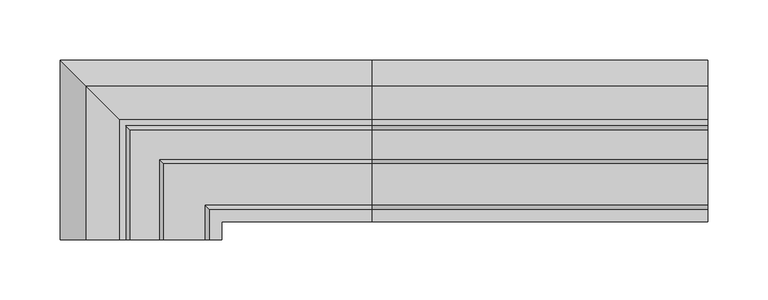
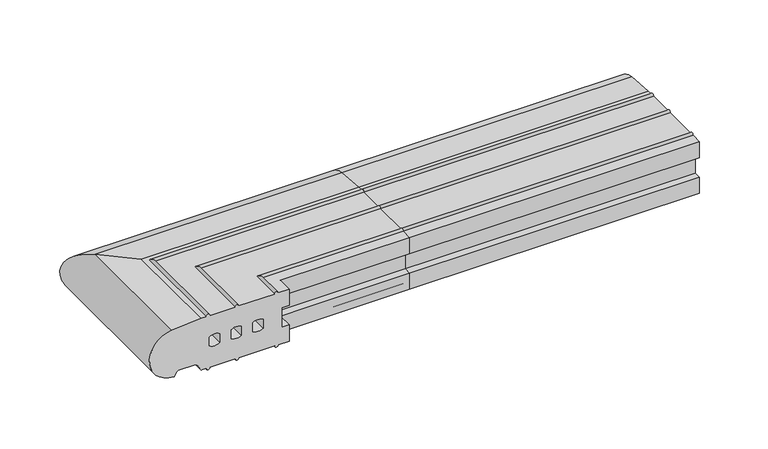
"""IFC4 building model written with IfcOpenShell, lengths in millimetres: proxy geometry."""

from ifc_helpers import new_model, si_unit, point, frame, frame_2d, origin, place, context, project, spatial, polyline, circle_curve, ellipse_curve, trimmed, segment, composite_curve, outline, extrude, source, transform, mapped, element, save
from ifc_brep_helpers import plane_surface, cylinder_surface, revolved_surface, advanced_brep


def generic_models_7deca3a6(model_context):
    return source(origin(), model_context, "Body", "SolidModel", [
        advanced_brep(
        [(0.0, 26.5981483, 2.5074549), (0.0, 28.0858073, 50.4091909), (0.0, 0.0400993, 52.8558627), (0.0, -5.0, 52.8558627), (0.0, -8.5, 52.8558627), (0.0, -33.0, 52.8558627), (0.0, -36.5, 52.8558627), (0.0, -71.0, 52.8558627), (0.0, -74.5, 52.8558627), (0.0, -85.0, 52.8558627), (0.0, -85.0, 36.5), (0.0, -78.0, 36.5), (0.0, -78.0, 16.5), (0.0, -85.0, 16.5), (0.0, -85.0, 0.0), (0.0, -74.5, 0.0), (0.0, -71.0, 0.0), (0.0, -36.5, 0.0), (0.0, -33.0, 0.0), (0.0, -8.5, 0.0), (0.0, -5.0, 0.0), (0.0, -0.5773503, 0.0), (0.0, 0.2886751, 0.5), (0.0, 3.7527767, 6.5), (0.0, 5.4848276, 7.5), (0.0, 21.9585481, 7.5), (0.0, 23.6905989, 6.5), (0.0, 25.7072001, 3.0071443), (0.0, -8.0, 31.0), (0.0, -8.0, 22.0), (0.0, -18.0, 22.0), (0.0, -18.0, 31.0), (0.0, -29.0, 22.0), (0.0, -39.0, 22.0), (0.0, -39.0, 31.0), (0.0, -29.0, 31.0), (0.0, -50.0, 22.0), (0.0, -60.0, 22.0), (0.0, -60.0, 31.0), (0.0, -50.0, 31.0), (-236.5981483, -100.0, 2.5074549), (-235.7072001, -100.0, 3.0071443), (-233.6905989, -100.0, 6.5), (-231.9585481, -100.0, 7.5), (-215.4848276, -100.0, 7.5), (-213.7527767, -100.0, 6.5), (-210.2886751, -100.0, 0.5), (-209.4226497, -100.0, 0.0), (-205.0, -100.0, 0.0), (-201.5, -100.0, 0.0), (-177.0, -100.0, 0.0), (-173.5, -100.0, 0.0), (-139.0, -100.0, 0.0), (-135.5, -100.0, 0.0), (-125.0, -100.0, 0.0), (-125.0, -100.0, 16.5), (-132.0, -100.0, 16.5), (-132.0, -100.0, 36.5), (-125.0, -100.0, 36.5), (-125.0, -100.0, 52.8558627), (-135.5, -100.0, 52.8558627), (-139.0, -100.0, 52.8558627), (-173.5, -100.0, 52.8558627), (-177.0, -100.0, 52.8558627), (-201.5, -100.0, 52.8558627), (-205.0, -100.0, 52.8558627), (-210.0400993, -100.0, 52.8558627), (-238.0858073, -100.0, 50.4091909), (-202.0, -100.0, 31.0), (-192.0, -100.0, 31.0), (-192.0, -100.0, 22.0), (-202.0, -100.0, 22.0), (-181.0, -100.0, 22.0), (-181.0, -100.0, 31.0), (-171.0, -100.0, 31.0), (-171.0, -100.0, 22.0), (-160.0, -100.0, 22.0), (-160.0, -100.0, 31.0), (-150.0, -100.0, 31.0), (-150.0, -100.0, 22.0), (-235.7072001, 25.7072001, 3.0071443), (-236.5981483, 26.5981483, 2.5074549), (-233.6905989, 23.6905989, 6.5), (-231.9585481, 21.9585481, 7.5), (-215.4848276, 5.4848276, 7.5), (-213.7527767, 3.7527767, 6.5), (-210.2886751, 0.2886751, 0.5), (-209.4226497, -0.5773503, 0.0), (-205.0, -5.0, 0.0), (-201.5, -8.5, 0.0), (-177.0, -33.0, 0.0), (-173.5, -36.5, 0.0), (-139.0, -71.0, 0.0), (-135.5, -74.5, 0.0), (-125.0, -85.0, 0.0), (-125.0, -85.0, 16.5), (-132.0, -78.0, 16.5), (-132.0, -78.0, 36.5), (-125.0, -85.0, 36.5), (-125.0, -85.0, 52.8558627), (-135.5, -74.5, 52.8558627), (-139.0, -71.0, 52.8558627), (-173.5, -36.5, 52.8558627), (-177.0, -33.0, 52.8558627), (-201.5, -8.5, 52.8558627), (-205.0, -5.0, 52.8558627), (-210.0400993, 0.0400993, 52.8558627), (-238.0858073, 28.0858073, 50.4091909), (-192.0, -18.0, 31.0), (-202.0, -8.0, 31.0), (-192.0, -18.0, 22.0), (-202.0, -8.0, 22.0), (-181.0, -29.0, 31.0), (-181.0, -29.0, 22.0), (-171.0, -39.0, 31.0), (-171.0, -39.0, 22.0), (-160.0, -50.0, 31.0), (-160.0, -50.0, 22.0), (-150.0, -60.0, 31.0), (-150.0, -60.0, 22.0)],
        [
            (0, 1, circle_curve(frame((0.0, 26.0, 26.5), z_axis=(1.0, 0.0, 0.0), x_axis=(0.0, 1.0, 0.0)), 24.0)),
            (1, 2),
            (2, 3),
            (3, 4, circle_curve(frame((0.0, -6.75, 52.8558627), z_axis=(1.0, 0.0, 0.0), x_axis=(0.0, 1.0, 0.0)), 1.75)),
            (4, 5),
            (5, 6, circle_curve(frame((0.0, -34.75, 52.8558627), z_axis=(1.0, 0.0, 0.0), x_axis=(0.0, 1.0, 0.0)), 1.75)),
            (6, 7),
            (7, 8, circle_curve(frame((0.0, -72.75, 52.8558627), z_axis=(1.0, 0.0, 0.0), x_axis=(0.0, 1.0, 0.0)), 1.75)),
            (8, 9),
            (9, 10),
            (10, 11),
            (11, 12),
            (12, 13),
            (13, 14),
            (14, 15),
            (15, 16, circle_curve(frame((0.0, -72.75, 0.0), z_axis=(1.0, 0.0, 0.0), x_axis=(0.0, 1.0, 0.0)), 1.75)),
            (16, 17),
            (17, 18, circle_curve(frame((0.0, -34.75, 0.0), z_axis=(1.0, 0.0, 0.0), x_axis=(0.0, 1.0, 0.0)), 1.75)),
            (18, 19),
            (19, 20, circle_curve(frame((0.0, -6.75, 0.0), z_axis=(1.0, 0.0, 0.0), x_axis=(0.0, 1.0, 0.0)), 1.75)),
            (20, 21),
            (21, 22, circle_curve(frame((0.0, -0.5773503, 1.0), z_axis=(1.0, 0.0, 0.0), x_axis=(0.0, 1.0, 0.0)), 1.0)),
            (22, 23),
            (23, 24, circle_curve(frame((0.0, 5.4848276, 5.5), z_axis=(-1.0, 0.0, 0.0), x_axis=(0.0, 1.0, 0.0)), 2.0)),
            (24, 25),
            (25, 26, circle_curve(frame((0.0, 21.9585481, 5.5), z_axis=(-1.0, 0.0, 0.0), x_axis=(0.0, 1.0, 0.0)), 2.0)),
            (26, 27),
            (27, 0, circle_curve(frame((0.0, 26.5732255, 3.5071443), z_axis=(1.0, 0.0, 0.0), x_axis=(0.0, 1.0, 0.0)), 1.0)),
            (28, 29),
            (29, 30, circle_curve(frame((0.0, -13.0, 29.5833333), z_axis=(-1.0, 0.0, 0.0), x_axis=(0.0, 1.0, 0.0)), 9.0833333)),
            (30, 31),
            (31, 28, circle_curve(frame((0.0, -13.0, 23.4166667), z_axis=(-1.0, 0.0, 0.0), x_axis=(0.0, 1.0, 0.0)), 9.0833333)),
            (32, 33, circle_curve(frame((0.0, -34.0, 29.5833333), z_axis=(-1.0, 0.0, 0.0), x_axis=(0.0, 1.0, 0.0)), 9.0833333)),
            (33, 34),
            (34, 35, circle_curve(frame((0.0, -34.0, 23.4166667), z_axis=(-1.0, 0.0, 0.0), x_axis=(0.0, 1.0, 0.0)), 9.0833333)),
            (35, 32),
            (36, 37, circle_curve(frame((0.0, -55.0, 29.5833333), z_axis=(-1.0, 0.0, 0.0), x_axis=(0.0, 1.0, 0.0)), 9.0833333)),
            (37, 38),
            (38, 39, circle_curve(frame((0.0, -55.0, 23.4166667), z_axis=(-1.0, 0.0, 0.0), x_axis=(0.0, 1.0, 0.0)), 9.0833333)),
            (39, 36),
            (40, 41, circle_curve(frame((-236.5732255, -100.0, 3.5071443), z_axis=(0.0, -1.0, 0.0), x_axis=(-1.0, 0.0, 0.0)), 1.0)),
            (41, 42),
            (42, 43, circle_curve(frame((-231.9585481, -100.0, 5.5), z_axis=(0.0, 1.0, 0.0), x_axis=(-1.0, 0.0, 0.0)), 2.0)),
            (43, 44),
            (44, 45, circle_curve(frame((-215.4848276, -100.0, 5.5), z_axis=(0.0, 1.0, 0.0), x_axis=(-1.0, 0.0, 0.0)), 2.0)),
            (45, 46),
            (46, 47, circle_curve(frame((-209.4226497, -100.0, 1.0), z_axis=(0.0, -1.0, 0.0), x_axis=(-1.0, 0.0, 0.0)), 1.0)),
            (47, 48),
            (48, 49, circle_curve(frame((-203.25, -100.0, 0.0), z_axis=(0.0, -1.0, 0.0), x_axis=(-1.0, 0.0, 0.0)), 1.75)),
            (49, 50),
            (50, 51, circle_curve(frame((-175.25, -100.0, 0.0), z_axis=(0.0, -1.0, 0.0), x_axis=(-1.0, 0.0, 0.0)), 1.75)),
            (51, 52),
            (52, 53, circle_curve(frame((-137.25, -100.0, 0.0), z_axis=(0.0, -1.0, 0.0), x_axis=(-1.0, 0.0, 0.0)), 1.75)),
            (53, 54),
            (54, 55),
            (55, 56),
            (56, 57),
            (57, 58),
            (58, 59),
            (59, 60),
            (60, 61, circle_curve(frame((-137.25, -100.0, 52.8558627), z_axis=(0.0, -1.0, 0.0), x_axis=(-1.0, 0.0, 0.0)), 1.75)),
            (61, 62),
            (62, 63, circle_curve(frame((-175.25, -100.0, 52.8558627), z_axis=(0.0, -1.0, 0.0), x_axis=(-1.0, 0.0, 0.0)), 1.75)),
            (63, 64),
            (64, 65, circle_curve(frame((-203.25, -100.0, 52.8558627), z_axis=(0.0, -1.0, 0.0), x_axis=(-1.0, 0.0, 0.0)), 1.75)),
            (65, 66),
            (66, 67),
            (67, 40, circle_curve(frame((-236.0, -100.0, 26.5), z_axis=(0.0, -1.0, 0.0), x_axis=(-1.0, 0.0, 0.0)), 24.0)),
            (68, 69, circle_curve(frame((-197.0, -100.0, 23.4166667), z_axis=(0.0, 1.0, 0.0), x_axis=(-1.0, 0.0, 0.0)), 9.0833333)),
            (69, 70),
            (70, 71, circle_curve(frame((-197.0, -100.0, 29.5833333), z_axis=(0.0, 1.0, 0.0), x_axis=(-1.0, 0.0, 0.0)), 9.0833333)),
            (71, 68),
            (72, 73),
            (73, 74, circle_curve(frame((-176.0, -100.0, 23.4166667), z_axis=(0.0, 1.0, 0.0), x_axis=(-1.0, 0.0, 0.0)), 9.0833333)),
            (74, 75),
            (75, 72, circle_curve(frame((-176.0, -100.0, 29.5833333), z_axis=(0.0, 1.0, 0.0), x_axis=(-1.0, 0.0, 0.0)), 9.0833333)),
            (76, 77),
            (77, 78, circle_curve(frame((-155.0, -100.0, 23.4166667), z_axis=(0.0, 1.0, 0.0), x_axis=(-1.0, 0.0, 0.0)), 9.0833333)),
            (78, 79),
            (79, 76, circle_curve(frame((-155.0, -100.0, 29.5833333), z_axis=(0.0, 1.0, 0.0), x_axis=(-1.0, 0.0, 0.0)), 9.0833333)),
            (27, 80),
            (80, 81, ellipse_curve(frame((-236.5732255, 26.5732255, 3.5071443), z_axis=(0.70710678118655, 0.7071067811865449, 0.0), x_axis=(0.7071067811865451, -0.7071067811865499, 0.0)), 1.4142136, 1.0)),
            (81, 0),
            (26, 82),
            (82, 80),
            (25, 83),
            (83, 82, ellipse_curve(frame((-231.9585481, 21.9585481, 5.5), z_axis=(-0.70710678118655, -0.7071067811865449, 0.0), x_axis=(-0.7071067811865451, 0.7071067811865499, 0.0)), 2.8284271, 2.0)),
            (24, 84),
            (84, 44),
            (43, 83),
            (23, 85),
            (85, 84, ellipse_curve(frame((-215.4848276, 5.4848276, 5.5), z_axis=(-0.70710678118655, -0.7071067811865449, 0.0), x_axis=(-0.7071067811865451, 0.7071067811865499, 0.0)), 2.8284271, 2.0)),
            (22, 86),
            (86, 85),
            (21, 87),
            (87, 86, ellipse_curve(frame((-209.4226497, -0.5773503, 1.0), z_axis=(0.70710678118655, 0.7071067811865449, 0.0), x_axis=(0.7071067811865451, -0.7071067811865499, 0.0)), 1.4142136, 1.0)),
            (20, 88),
            (88, 48),
            (47, 87),
            (19, 89),
            (89, 88, ellipse_curve(frame((-203.25, -6.75, 0.0), z_axis=(0.70710678118655, 0.7071067811865449, 0.0), x_axis=(0.7071067811865451, -0.7071067811865499, 0.0)), 2.4748737, 1.75)),
            (18, 90),
            (90, 50),
            (49, 89),
            (17, 91),
            (91, 90, ellipse_curve(frame((-175.25, -34.75, 0.0), z_axis=(0.70710678118655, 0.7071067811865449, 0.0), x_axis=(0.7071067811865451, -0.7071067811865499, 0.0)), 2.4748737, 1.75)),
            (16, 92),
            (92, 52),
            (51, 91),
            (15, 93),
            (93, 92, ellipse_curve(frame((-137.25, -72.75, 0.0), z_axis=(0.70710678118655, 0.7071067811865449, 0.0), x_axis=(0.7071067811865451, -0.7071067811865499, 0.0)), 2.4748737, 1.75)),
            (14, 94),
            (94, 54),
            (53, 93),
            (13, 95),
            (95, 94),
            (12, 96),
            (96, 56),
            (55, 95),
            (11, 97),
            (97, 96),
            (10, 98),
            (98, 58),
            (57, 97),
            (9, 99),
            (99, 98),
            (8, 100),
            (100, 60),
            (59, 99),
            (7, 101),
            (101, 100, ellipse_curve(frame((-137.25, -72.75, 52.8558627), z_axis=(0.70710678118655, 0.7071067811865449, 0.0), x_axis=(0.7071067811865451, -0.7071067811865499, 0.0)), 2.4748737, 1.75)),
            (6, 102),
            (102, 62),
            (61, 101),
            (5, 103),
            (103, 102, ellipse_curve(frame((-175.25, -34.75, 52.8558627), z_axis=(0.70710678118655, 0.7071067811865449, 0.0), x_axis=(0.7071067811865451, -0.7071067811865499, 0.0)), 2.4748737, 1.75)),
            (4, 104),
            (104, 64),
            (63, 103),
            (3, 105),
            (105, 104, ellipse_curve(frame((-203.25, -6.75, 52.8558627), z_axis=(0.70710678118655, 0.7071067811865449, 0.0), x_axis=(0.7071067811865451, -0.7071067811865499, 0.0)), 2.4748737, 1.75)),
            (2, 106),
            (106, 66),
            (65, 105),
            (1, 107),
            (107, 106),
            (81, 107, ellipse_curve(frame((-236.0, 26.0, 26.5), z_axis=(0.70710678118655, 0.7071067811865449, 0.0), x_axis=(0.7071067811865451, -0.7071067811865499, 0.0)), 33.9411255, 24.0)),
            (31, 108),
            (108, 109, ellipse_curve(frame((-197.0, -13.0, 23.4166667), z_axis=(-0.70710678118655, -0.7071067811865449, 0.0), x_axis=(-0.7071067811865451, 0.7071067811865499, 0.0)), 12.8457732, 9.0833333)),
            (109, 28),
            (30, 110),
            (110, 108),
            (29, 111),
            (111, 110, ellipse_curve(frame((-197.0, -13.0, 29.5833333), z_axis=(-0.70710678118655, -0.7071067811865449, 0.0), x_axis=(-0.7071067811865451, 0.7071067811865499, 0.0)), 12.8457732, 9.0833333)),
            (109, 111),
            (35, 112),
            (112, 113),
            (113, 32),
            (34, 114),
            (114, 112, ellipse_curve(frame((-176.0, -34.0, 23.4166667), z_axis=(-0.70710678118655, -0.7071067811865449, 0.0), x_axis=(-0.7071067811865451, 0.7071067811865499, 0.0)), 12.8457732, 9.0833333)),
            (33, 115),
            (115, 114),
            (113, 115, ellipse_curve(frame((-176.0, -34.0, 29.5833333), z_axis=(-0.70710678118655, -0.7071067811865449, 0.0), x_axis=(-0.7071067811865451, 0.7071067811865499, 0.0)), 12.8457732, 9.0833333)),
            (39, 116),
            (116, 117),
            (117, 36),
            (38, 118),
            (118, 116, ellipse_curve(frame((-155.0, -55.0, 23.4166667), z_axis=(-0.70710678118655, -0.7071067811865449, 0.0), x_axis=(-0.7071067811865451, 0.7071067811865499, 0.0)), 12.8457732, 9.0833333)),
            (37, 119),
            (119, 118),
            (117, 119, ellipse_curve(frame((-155.0, -55.0, 29.5833333), z_axis=(-0.70710678118655, -0.7071067811865449, 0.0), x_axis=(-0.7071067811865451, 0.7071067811865499, 0.0)), 12.8457732, 9.0833333)),
            (80, 41),
            (40, 81),
            (82, 42),
            (85, 45),
            (86, 46),
            (107, 67),
            (108, 69),
            (68, 109),
            (110, 70),
            (111, 71),
            (112, 73),
            (72, 113),
            (114, 74),
            (115, 75),
            (116, 77),
            (76, 117),
            (118, 78),
            (119, 79),
        ],
        [
            plane_surface(frame((0.0, 0.0, 0.0), z_axis=(1.0, 0.0, 0.0), x_axis=(0.0, 0.0, 1.0))),
            plane_surface(frame((-210.0, -100.0, 0.0), z_axis=(0.0, -1.0, 0.0), x_axis=(0.0, 0.0, 1.0))),
            cylinder_surface(frame((0.0, 26.5732255, 3.5071443), z_axis=(1.0, 0.0, 0.0), x_axis=(0.0, 1.0, 0.0)), 1.0),
            plane_surface(frame((0.0, 23.6905989, 6.5), z_axis=(0.0, -0.8660254037844395, -0.4999999999999987), x_axis=(-1.0, 0.0, 0.0))),
            revolved_surface(polyline([(-233.9585480825018, 23.9585481, 5.5), (0.0, 23.9585481, 5.5)]), (0.0, 21.9585481, 5.5), (-1.0, 0.0, 0.0)),
            plane_surface(frame((0.0, 5.4848276, 7.5), z_axis=(0.0, 0.0, -1.0), x_axis=(-1.0, 0.0, 0.0))),
            revolved_surface(polyline([(-217.4848275825018, 7.4848276, 5.5), (0.0, 7.4848276, 5.5)]), (0.0, 5.4848276, 5.5), (-1.0, 0.0, 0.0)),
            plane_surface(frame((0.0, 0.2886751, 0.5), z_axis=(0.0, 0.8660254037844367, -0.5000000000000033), x_axis=(-1.0, 0.0, 0.0))),
            cylinder_surface(frame((0.0, -0.5773503, 1.0), z_axis=(1.0, 0.0, 0.0), x_axis=(0.0, 1.0, 0.0)), 1.0),
            plane_surface(frame((0.0, -5.0, 0.0), z_axis=(0.0, 0.0, -1.0), x_axis=(-1.0, 0.0, 0.0))),
            cylinder_surface(frame((0.0, -6.75, 0.0), z_axis=(1.0, 0.0, 0.0), x_axis=(0.0, 1.0, 0.0)), 1.75),
            plane_surface(frame((0.0, -33.0, 0.0), z_axis=(0.0, 0.0, -1.0), x_axis=(-1.0, 0.0, 0.0))),
            cylinder_surface(frame((0.0, -34.75, 0.0), z_axis=(1.0, 0.0, 0.0), x_axis=(0.0, 1.0, 0.0)), 1.75),
            plane_surface(frame((0.0, -71.0, 0.0), z_axis=(0.0, 0.0, -1.0), x_axis=(-1.0, 0.0, 0.0))),
            cylinder_surface(frame((0.0, -72.75, 0.0), z_axis=(1.0, 0.0, 0.0), x_axis=(0.0, 1.0, 0.0)), 1.75),
            plane_surface(frame((0.0, -85.0, 0.0), z_axis=(0.0, 0.0, -1.0), x_axis=(-1.0, 0.0, 0.0))),
            plane_surface(frame((0.0, -85.0, 16.5), z_axis=(0.0, -1.0, 0.0), x_axis=(-1.0, 0.0, 0.0))),
            plane_surface(frame((0.0, -78.0, 16.5), z_axis=(0.0, 0.0, 1.0), x_axis=(-1.0, 0.0, 0.0))),
            plane_surface(frame((0.0, -78.0, 36.5), z_axis=(0.0, -1.0, 0.0), x_axis=(-1.0, 0.0, 0.0))),
            plane_surface(frame((0.0, -85.0, 36.5), z_axis=(0.0, 0.0, -1.0), x_axis=(-1.0, 0.0, 0.0))),
            plane_surface(frame((0.0, -85.0, 52.8558627), z_axis=(0.0, -1.0, 0.0), x_axis=(-1.0, 0.0, 0.0))),
            plane_surface(frame((0.0, -74.5, 52.8558627), z_axis=(0.0, 0.0, 1.0), x_axis=(-1.0, 0.0, 0.0))),
            cylinder_surface(frame((0.0, -72.75, 52.8558627), z_axis=(1.0, 0.0, 0.0), x_axis=(0.0, 1.0, 0.0)), 1.75),
            plane_surface(frame((0.0, -36.5, 52.8558627), z_axis=(0.0, 0.0, 1.0), x_axis=(-1.0, 0.0, 0.0))),
            cylinder_surface(frame((0.0, -34.75, 52.8558627), z_axis=(1.0, 0.0, 0.0), x_axis=(0.0, 1.0, 0.0)), 1.75),
            plane_surface(frame((0.0, -8.5, 52.8558627), z_axis=(0.0, 0.0, 1.0), x_axis=(-1.0, 0.0, 0.0))),
            cylinder_surface(frame((0.0, -6.75, 52.8558627), z_axis=(1.0, 0.0, 0.0), x_axis=(0.0, 1.0, 0.0)), 1.75),
            plane_surface(frame((0.0, 0.0400993, 52.8558627), z_axis=(0.0, 0.0, 1.0), x_axis=(-1.0, 0.0, 0.0))),
            plane_surface(frame((0.0, 28.0858073, 50.4091909), z_axis=(0.0, 0.0869086394462769, 0.9962162859487879), x_axis=(-1.0, 0.0, 0.0))),
            cylinder_surface(frame((0.0, 26.0, 26.5), z_axis=(1.0, 0.0, 0.0), x_axis=(0.0, 1.0, 0.0)), 24.0),
            revolved_surface(polyline([(-206.08333333930437, -3.9166667000000004, 23.4166667), (0.0, -3.9166667000000004, 23.4166667)]), (0.0, -13.0, 23.4166667), (-1.0, 0.0, 0.0)),
            plane_surface(frame((0.0, -18.0, 22.0), z_axis=(0.0, 1.0, 0.0), x_axis=(-1.0, 0.0, 0.0))),
            revolved_surface(polyline([(-206.08333333930437, -3.9166667000000004, 29.5833333), (0.0, -3.9166667000000004, 29.5833333)]), (0.0, -13.0, 29.5833333), (-1.0, 0.0, 0.0)),
            plane_surface(frame((0.0, -8.0, 31.0), z_axis=(0.0, -1.0, 0.0), x_axis=(-1.0, 0.0, 0.0))),
            plane_surface(frame((0.0, -29.0, 31.0), z_axis=(0.0, -1.0, 0.0), x_axis=(-1.0, 0.0, 0.0))),
            revolved_surface(polyline([(-185.08333333930437, -24.9166667, 23.4166667), (0.0, -24.9166667, 23.4166667)]), (0.0, -34.0, 23.4166667), (-1.0, 0.0, 0.0)),
            plane_surface(frame((0.0, -39.0, 22.0), z_axis=(0.0, 1.0, 0.0), x_axis=(-1.0, 0.0, 0.0))),
            revolved_surface(polyline([(-185.08333333930437, -24.9166667, 29.5833333), (0.0, -24.9166667, 29.5833333)]), (0.0, -34.0, 29.5833333), (-1.0, 0.0, 0.0)),
            plane_surface(frame((0.0, -50.0, 31.0), z_axis=(0.0, -1.0, 0.0), x_axis=(-1.0, 0.0, 0.0))),
            revolved_surface(polyline([(-164.08333333930437, -45.9166667, 23.4166667), (0.0, -45.9166667, 23.4166667)]), (0.0, -55.0, 23.4166667), (-1.0, 0.0, 0.0)),
            plane_surface(frame((0.0, -60.0, 22.0), z_axis=(0.0, 1.0, 0.0), x_axis=(-1.0, 0.0, 0.0))),
            revolved_surface(polyline([(-164.08333333930437, -45.9166667, 29.5833333), (0.0, -45.9166667, 29.5833333)]), (0.0, -55.0, 29.5833333), (-1.0, 0.0, 0.0)),
            cylinder_surface(frame((-236.5732255, 0.0, 3.5071443), z_axis=(0.0, 1.0, 0.0), x_axis=(-1.0, 0.0, 0.0)), 1.0),
            plane_surface(frame((-233.6905989, 23.6905989, 6.5), z_axis=(0.8660254037844395, 0.0, -0.49999999999999867), x_axis=(0.0, -1.0, 0.0))),
            revolved_surface(polyline([(-233.9585481, -100.0, 5.5), (-233.9585481, 23.95854808250181, 5.5)]), (-231.9585481, 0.0, 5.5), (0.0, -1.0, 0.0)),
            revolved_surface(polyline([(-217.4848276, -100.0, 5.5), (-217.4848276, 7.484827582501808, 5.5)]), (-215.4848276, 0.0, 5.5), (0.0, -1.0, 0.0)),
            plane_surface(frame((-210.2886751, 0.2886751, 0.5), z_axis=(-0.8660254037844368, 0.0, -0.5000000000000033), x_axis=(0.0, -1.0, 0.0))),
            cylinder_surface(frame((-209.4226497, 0.0, 1.0), z_axis=(0.0, 1.0, 0.0), x_axis=(-1.0, 0.0, 0.0)), 1.0),
            cylinder_surface(frame((-203.25, 0.0, 0.0), z_axis=(0.0, 1.0, 0.0), x_axis=(-1.0, 0.0, 0.0)), 1.75),
            cylinder_surface(frame((-175.25, 0.0, 0.0), z_axis=(0.0, 1.0, 0.0), x_axis=(-1.0, 0.0, 0.0)), 1.75),
            cylinder_surface(frame((-137.25, 0.0, 0.0), z_axis=(0.0, 1.0, 0.0), x_axis=(-1.0, 0.0, 0.0)), 1.75),
            plane_surface(frame((-125.0, -85.0, 16.5), z_axis=(1.0, 0.0, 0.0), x_axis=(0.0, -1.0, 0.0))),
            plane_surface(frame((-132.0, -78.0, 36.5), z_axis=(1.0, 0.0, 0.0), x_axis=(0.0, -1.0, 0.0))),
            plane_surface(frame((-125.0, -85.0, 52.8558627), z_axis=(1.0, 0.0, 0.0), x_axis=(0.0, -1.0, 0.0))),
            cylinder_surface(frame((-137.25, 0.0, 52.8558627), z_axis=(0.0, 1.0, 0.0), x_axis=(-1.0, 0.0, 0.0)), 1.75),
            cylinder_surface(frame((-175.25, 0.0, 52.8558627), z_axis=(0.0, 1.0, 0.0), x_axis=(-1.0, 0.0, 0.0)), 1.75),
            cylinder_surface(frame((-203.25, 0.0, 52.8558627), z_axis=(0.0, 1.0, 0.0), x_axis=(-1.0, 0.0, 0.0)), 1.75),
            plane_surface(frame((-238.0858073, 28.0858073, 50.4091909), z_axis=(-0.08690863944627691, 0.0, 0.9962162859487879), x_axis=(0.0, -1.0, 0.0))),
            cylinder_surface(frame((-236.0, 0.0, 26.5), z_axis=(0.0, 1.0, 0.0), x_axis=(-1.0, 0.0, 0.0)), 24.0),
            revolved_surface(polyline([(-206.0833333, -100.0, 23.4166667), (-206.0833333, -3.9166666606955527, 23.4166667)]), (-197.0, 0.0, 23.4166667), (0.0, -1.0, 0.0)),
            plane_surface(frame((-192.0, -18.0, 22.0), z_axis=(-1.0, 0.0, 0.0), x_axis=(0.0, -1.0, 0.0))),
            revolved_surface(polyline([(-206.0833333, -100.0, 29.5833333), (-206.0833333, -3.9166666606955527, 29.5833333)]), (-197.0, 0.0, 29.5833333), (0.0, -1.0, 0.0)),
            plane_surface(frame((-202.0, -8.0, 31.0), z_axis=(1.0, 0.0, 0.0), x_axis=(0.0, -1.0, 0.0))),
            plane_surface(frame((-181.0, -29.0, 31.0), z_axis=(1.0, 0.0, 0.0), x_axis=(0.0, -1.0, 0.0))),
            revolved_surface(polyline([(-185.0833333, -100.0, 23.4166667), (-185.0833333, -24.916666660695554, 23.4166667)]), (-176.0, 0.0, 23.4166667), (0.0, -1.0, 0.0)),
            plane_surface(frame((-171.0, -39.0, 22.0), z_axis=(-1.0, 0.0, 0.0), x_axis=(0.0, -1.0, 0.0))),
            revolved_surface(polyline([(-185.0833333, -100.0, 29.5833333), (-185.0833333, -24.916666660695554, 29.5833333)]), (-176.0, 0.0, 29.5833333), (0.0, -1.0, 0.0)),
            plane_surface(frame((-160.0, -50.0, 31.0), z_axis=(1.0, 0.0, 0.0), x_axis=(0.0, -1.0, 0.0))),
            revolved_surface(polyline([(-164.0833333, -100.0, 23.4166667), (-164.0833333, -45.916666660695554, 23.4166667)]), (-155.0, 0.0, 23.4166667), (0.0, -1.0, 0.0)),
            plane_surface(frame((-150.0, -60.0, 22.0), z_axis=(-1.0, 0.0, 0.0), x_axis=(0.0, -1.0, 0.0))),
            revolved_surface(polyline([(-164.0833333, -100.0, 29.5833333), (-164.0833333, -45.916666660695554, 29.5833333)]), (-155.0, 0.0, 29.5833333), (0.0, -1.0, 0.0)),
        ],
        [
            (0, [[1, 2, 3, 4, 5, 6, 7, 8, 9, 10, 11, 12, 13, 14, 15, 16, 17, 18, 19, 20, 21, 22, 23, 24, 25, 26, 27, 28], [29, 30, 31, 32], [33, 34, 35, 36], [37, 38, 39, 40]]),
            (1, [[41, 42, 43, 44, 45, 46, 47, 48, 49, 50, 51, 52, 53, 54, 55, 56, 57, 58, 59, 60, 61, 62, 63, 64, 65, 66, 67, 68], [69, 70, 71, 72], [73, 74, 75, 76], [77, 78, 79, 80]]),
            (2, [[-28, 81, 82, 83]]),
            (3, [[-27, 84, 85, -81]]),
            (4, [[-26, 86, 87, -84]]),
            (5, [[-25, 88, 89, -44, 90, -86]]),
            (6, [[-24, 91, 92, -88]]),
            (7, [[-23, 93, 94, -91]]),
            (8, [[-22, 95, 96, -93]]),
            (9, [[-21, 97, 98, -48, 99, -95]]),
            (10, [[-20, 100, 101, -97]]),
            (11, [[-19, 102, 103, -50, 104, -100]]),
            (12, [[-18, 105, 106, -102]]),
            (13, [[-17, 107, 108, -52, 109, -105]]),
            (14, [[-16, 110, 111, -107]]),
            (15, [[-15, 112, 113, -54, 114, -110]]),
            (16, [[-14, 115, 116, -112]]),
            (17, [[-13, 117, 118, -56, 119, -115]]),
            (18, [[-12, 120, 121, -117]]),
            (19, [[-11, 122, 123, -58, 124, -120]]),
            (20, [[-10, 125, 126, -122]]),
            (21, [[-9, 127, 128, -60, 129, -125]]),
            (22, [[-8, 130, 131, -127]]),
            (23, [[-7, 132, 133, -62, 134, -130]]),
            (24, [[-6, 135, 136, -132]]),
            (25, [[-5, 137, 138, -64, 139, -135]]),
            (26, [[-4, 140, 141, -137]]),
            (27, [[-3, 142, 143, -66, 144, -140]]),
            (28, [[-2, 145, 146, -142]]),
            (29, [[-1, -83, 147, -145]]),
            (30, [[-32, 148, 149, 150]]),
            (31, [[-31, 151, 152, -148]]),
            (32, [[-30, 153, 154, -151]]),
            (33, [[-29, -150, 155, -153]]),
            (34, [[-36, 156, 157, 158]]),
            (35, [[-35, 159, 160, -156]]),
            (36, [[-34, 161, 162, -159]]),
            (37, [[-33, -158, 163, -161]]),
            (38, [[-40, 164, 165, 166]]),
            (39, [[-39, 167, 168, -164]]),
            (40, [[-38, 169, 170, -167]]),
            (41, [[-37, -166, 171, -169]]),
            (42, [[-82, 172, -41, 173]]),
            (43, [[-85, 174, -42, -172]]),
            (44, [[-87, -90, -43, -174]]),
            (45, [[-92, 175, -45, -89]]),
            (46, [[-94, 176, -46, -175]]),
            (47, [[-96, -99, -47, -176]]),
            (48, [[-101, -104, -49, -98]]),
            (49, [[-106, -109, -51, -103]]),
            (50, [[-111, -114, -53, -108]]),
            (51, [[-116, -119, -55, -113]]),
            (52, [[-121, -124, -57, -118]]),
            (53, [[-126, -129, -59, -123]]),
            (54, [[-131, -134, -61, -128]]),
            (55, [[-136, -139, -63, -133]]),
            (56, [[-141, -144, -65, -138]]),
            (57, [[-146, 177, -67, -143]]),
            (58, [[-147, -173, -68, -177]]),
            (59, [[-149, 178, -69, 179]]),
            (60, [[-152, 180, -70, -178]]),
            (61, [[-154, 181, -71, -180]]),
            (62, [[-155, -179, -72, -181]]),
            (63, [[-157, 182, -73, 183]]),
            (64, [[-160, 184, -74, -182]]),
            (65, [[-162, 185, -75, -184]]),
            (66, [[-163, -183, -76, -185]]),
            (67, [[-165, 186, -77, 187]]),
            (68, [[-168, 188, -78, -186]]),
            (69, [[-170, 189, -79, -188]]),
            (70, [[-171, -187, -80, -189]]),
        ],
    ),
        extrude(outline(composite_curve([segment(trimmed(circle_curve(frame_2d((26.5732255, 3.5071443)), 1.0), [point((26.5981483, 2.5074549))], [point((25.7072001, 3.0071443))], False, "CARTESIAN"), True, "CONTINUOUS"), segment(polyline([(25.7072001, 3.0071443), (23.6905989, 6.5)]), True, "CONTINUOUS"), segment(trimmed(circle_curve(frame_2d((21.9585481, 5.5)), 2.0), [point((23.6905989, 6.5))], [point((21.9585481, 7.5))], True, "CARTESIAN"), True, "CONTINUOUS"), segment(polyline([(21.9585481, 7.5), (5.4848276, 7.5)]), True, "CONTINUOUS"), segment(trimmed(circle_curve(frame_2d((5.4848276, 5.5)), 2.0), [point((5.4848276, 7.5))], [point((3.7527767, 6.5))], True, "CARTESIAN"), True, "CONTINUOUS"), segment(polyline([(3.7527767, 6.5), (0.2886751, 0.5)]), True, "CONTINUOUS"), segment(trimmed(circle_curve(frame_2d((-0.5773503, 1.0)), 1.0), [point((0.2886751, 0.5))], [point((-0.5773503, 0.0))], False, "CARTESIAN"), True, "CONTINUOUS"), segment(polyline([(-0.5773503, 0.0), (-5.0, 0.0)]), True, "CONTINUOUS"), segment(trimmed(circle_curve(frame_2d((-6.75, 0.0)), 1.75), [point((-5.0, 0.0))], [point((-8.5, 0.0))], False, "CARTESIAN"), True, "CONTINUOUS"), segment(polyline([(-8.5, 0.0), (-33.0, 0.0)]), True, "CONTINUOUS"), segment(trimmed(circle_curve(frame_2d((-34.75, 0.0)), 1.75), [point((-33.0, 0.0))], [point((-36.5, 0.0))], False, "CARTESIAN"), True, "CONTINUOUS"), segment(polyline([(-36.5, 0.0), (-71.0, 0.0)]), True, "CONTINUOUS"), segment(trimmed(circle_curve(frame_2d((-72.75, 0.0)), 1.75), [point((-71.0, 0.0))], [point((-74.5, 0.0))], False, "CARTESIAN"), True, "CONTINUOUS"), segment(polyline([(-74.5, 0.0), (-85.0, 0.0), (-85.0, 16.5), (-78.0, 16.5), (-78.0, 36.5), (-85.0, 36.5), (-85.0, 52.8558627), (-74.5, 52.8558627)]), True, "CONTINUOUS"), segment(trimmed(circle_curve(frame_2d((-72.75, 52.8558627)), 1.75), [point((-74.5, 52.8558627))], [point((-71.0, 52.8558627))], False, "CARTESIAN"), True, "CONTINUOUS"), segment(polyline([(-71.0, 52.8558627), (-36.5, 52.8558627)]), True, "CONTINUOUS"), segment(trimmed(circle_curve(frame_2d((-34.75, 52.8558627)), 1.75), [point((-36.5, 52.8558627))], [point((-33.0, 52.8558627))], False, "CARTESIAN"), True, "CONTINUOUS"), segment(polyline([(-33.0, 52.8558627), (-8.5, 52.8558627)]), True, "CONTINUOUS"), segment(trimmed(circle_curve(frame_2d((-6.75, 52.8558627)), 1.75), [point((-8.5, 52.8558627))], [point((-5.0, 52.8558627))], False, "CARTESIAN"), True, "CONTINUOUS"), segment(polyline([(-5.0, 52.8558627), (0.0400993, 52.8558627), (28.0858073, 50.4091909)]), True, "CONTINUOUS"), segment(trimmed(circle_curve(frame_2d((26.0, 26.5)), 24.0), [point((28.0858073, 50.4091909))], [point((26.5981483, 2.5074549))], False, "CARTESIAN"), True, "CONTINUOUS")], self_intersect=False), holes=[composite_curve([segment(trimmed(circle_curve(frame_2d((-13.0, 23.4166667)), 9.0833333), [point((-8.0, 31.0))], [point((-18.0, 31.0))], True, "CARTESIAN"), True, "CONTINUOUS"), segment(polyline([(-18.0, 31.0), (-18.0, 22.0)]), True, "CONTINUOUS"), segment(trimmed(circle_curve(frame_2d((-13.0, 29.5833333)), 9.0833333), [point((-18.0, 22.0))], [point((-8.0, 22.0))], True, "CARTESIAN"), True, "CONTINUOUS"), segment(polyline([(-8.0, 22.0), (-8.0, 31.0)]), True, "CONTINUOUS")], self_intersect=False), composite_curve([segment(polyline([(-29.0, 22.0), (-29.0, 31.0)]), True, "CONTINUOUS"), segment(trimmed(circle_curve(frame_2d((-34.0, 23.4166667)), 9.0833333), [point((-29.0, 31.0))], [point((-39.0, 31.0))], True, "CARTESIAN"), True, "CONTINUOUS"), segment(polyline([(-39.0, 31.0), (-39.0, 22.0)]), True, "CONTINUOUS"), segment(trimmed(circle_curve(frame_2d((-34.0, 29.5833333)), 9.0833333), [point((-39.0, 22.0))], [point((-29.0, 22.0))], True, "CARTESIAN"), True, "CONTINUOUS")], self_intersect=False), composite_curve([segment(polyline([(-50.0, 22.0), (-50.0, 31.0)]), True, "CONTINUOUS"), segment(trimmed(circle_curve(frame_2d((-55.0, 23.4166667)), 9.0833333), [point((-50.0, 31.0))], [point((-60.0, 31.0))], True, "CARTESIAN"), True, "CONTINUOUS"), segment(polyline([(-60.0, 31.0), (-60.0, 22.0)]), True, "CONTINUOUS"), segment(trimmed(circle_curve(frame_2d((-55.0, 29.5833333)), 9.0833333), [point((-60.0, 22.0))], [point((-50.0, 22.0))], True, "CARTESIAN"), True, "CONTINUOUS")], self_intersect=False)]), frame((0.0, 0.0, 0.0), z_axis=(1.0, 0.0, 0.0), x_axis=(0.0, 1.0, 0.0)), (0.0, 0.0, 1.0), 280.0),
    ])


if __name__ == "__main__":
    model = new_model("IFC4")
    model_context = context("Model", 3, world=origin())
    ifc_project = project(units=[si_unit("LENGTHUNIT", "METRE", prefix="MILLI")], contexts=[model_context])
    site = spatial("IfcSite", under=ifc_project)
    building = spatial("IfcBuilding", under=site)
    placement = place(None, origin())
    generic_models_shape = generic_models_7deca3a6(model_context)
    element("IfcBuildingElementProxy", 1, Name="Generic Models", at=placement, inside=building, context=model_context, shape_type="MappedRepresentation", body=[
        mapped(generic_models_shape, transform((0.0, 0.0, 0.0), x_axis=(1.0, 0.0, 0.0), y_axis=(0.0, 1.0, 0.0), z_axis=(0.0, 0.0, 1.0))),
    ])
    save(model, "model.ifc")
